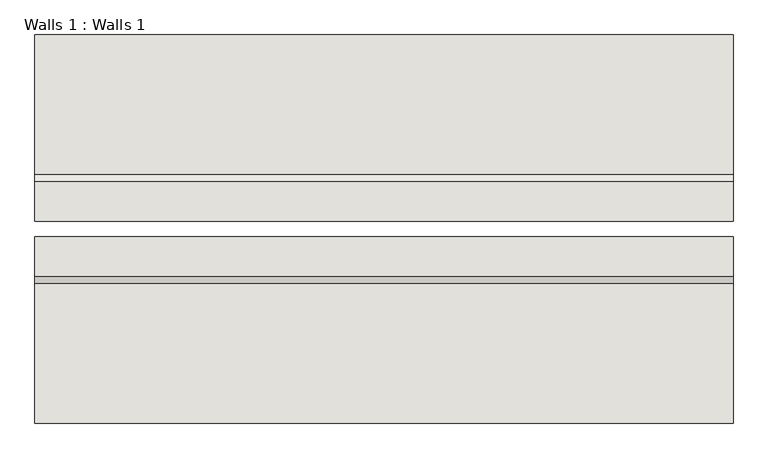
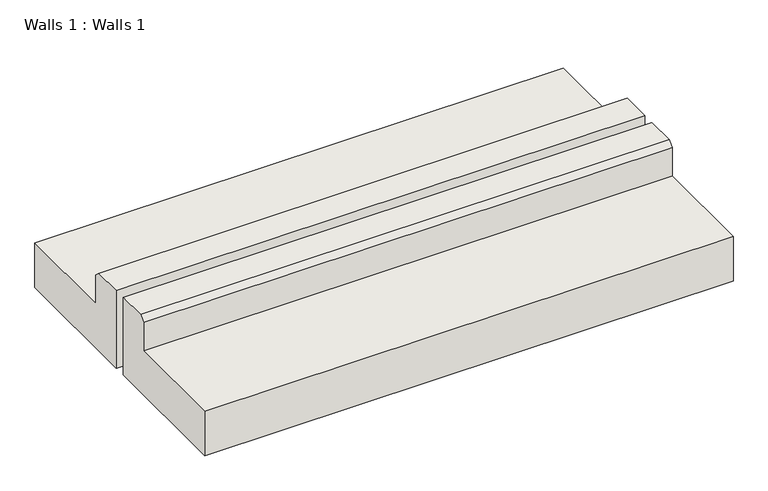
"""IFC4 building model written with IfcOpenShell, lengths in millimetres: wall geometry, Walls 1 : Walls 1."""

import ifcopenshell
import ifcopenshell.guid

model = None  # the IFC model being written
_history = None  # IfcOwnerHistory: only IFC2X3 demands one
_inside = {}  # id of a spatial element -> (the spatial element, [elements in it])
_under = {}  # id of a project, library or spatial element -> (it, [spatial elements below it])
_declared = {}  # id of a project -> (the project, [libraries it declares])
_typed = {}  # id of a type object -> (the type object, [elements of that type])
_made_of = {}  # id of a material, layer set ... -> (it, [elements and type objects made of it])


def new_model(schema):
    """Start an empty IFC model of exactly this schema.

    Asked for "IFC4X3", IfcOpenShell would pick the latest addendum, in which some entities
    have other attributes; the version numbers below select the first issue.
    IFC2X3 requires an IfcOwnerHistory on every rooted entity: one is made here for all.
    """
    global model, _history
    if schema == "IFC4X3":
        model = ifcopenshell.file(schema_version=(4, 3, 0, 0))
    else:
        model = ifcopenshell.file(schema=schema)
    _inside.clear()
    _under.clear()
    _declared.clear()
    _typed.clear()
    _made_of.clear()
    _history = None
    if model.schema == "IFC2X3":
        org = make("IfcOrganization", Name="unknown")
        user = make(
            "IfcPersonAndOrganization",
            ThePerson=make("IfcPerson", FamilyName="unknown"),
            TheOrganization=org,
        )
        app = make(
            "IfcApplication",
            ApplicationDeveloper=org,
            Version="unknown",
            ApplicationFullName="unknown",
            ApplicationIdentifier="unknown",
        )
        _history = make(
            "IfcOwnerHistory",
            OwningUser=user,
            OwningApplication=app,
            ChangeAction="ADDED",
            CreationDate=0,
        )
    return model


def make(cls, **values):
    """One entity of the class cls with the attributes given. An attribute that is None is left unset."""
    return model.create_entity(
        cls, **{name: value for name, value in values.items() if value is not None}
    )


def rooted(cls, **values):
    """An entity with a GlobalId (a new one), such as an element, a storey or a relation."""
    return make(cls, GlobalId=ifcopenshell.guid.new(), OwnerHistory=_history, **values)


def si_unit(unit_type, name, prefix=None):
    """IfcSIUnit, for example si_unit("LENGTHUNIT", "METRE", prefix="MILLI")."""
    return make("IfcSIUnit", UnitType=unit_type, Prefix=prefix, Name=name)


def assignment(units):
    """IfcUnitAssignment: the units of a project."""
    return None if units is None else make("IfcUnitAssignment", Units=units)


def point(xyz):
    """IfcCartesianPoint."""
    return None if xyz is None else make("IfcCartesianPoint", Coordinates=xyz)


def direction(xyz):
    """IfcDirection."""
    return None if xyz is None else make("IfcDirection", DirectionRatios=xyz)


def frame(location, z_axis=None, x_axis=None):
    """IfcAxis2Placement3D, a coordinate frame: its origin and axes. An axis left out is left unset."""
    return make(
        "IfcAxis2Placement3D",
        Location=point(location),
        Axis=direction(z_axis),
        RefDirection=direction(x_axis),
    )


def origin():
    """The frame at (0, 0, 0) with its axes left unset."""
    return frame((0.0, 0.0, 0.0))


def place(relative_to, where):
    """IfcLocalPlacement: puts the frame where relative to a parent placement (None: the world)."""
    return make(
        "IfcLocalPlacement", PlacementRelTo=relative_to, RelativePlacement=where
    )


def context(
    kind, dimensions, precision=None, world=None, true_north=None, identifier=None
):
    """IfcGeometricRepresentationContext, for example the 3D "Model" context."""
    return make(
        "IfcGeometricRepresentationContext",
        ContextIdentifier=identifier,
        ContextType=kind,
        CoordinateSpaceDimension=dimensions,
        Precision=precision,
        WorldCoordinateSystem=world,
        TrueNorth=true_north,
    )


def project(units=None, contexts=None):
    """IfcProject with its units and contexts."""
    return rooted(
        "IfcProject",
        Name="project",
        RepresentationContexts=contexts,
        UnitsInContext=assignment(units),
    )


def spatial(cls, under=None, at=None, **own):
    """A site, building, storey or space (cls), placed at a placement, below another one or the project."""
    s = rooted(cls, ObjectPlacement=at, **own)
    if under is not None:
        _under.setdefault(under.id(), (under, []))[1].append(s)
    return s


def polyline(points):
    """IfcPolyline through the points."""
    return make("IfcPolyline", Points=[point(p) for p in points])


def outline(outer, holes=None, kind="AREA"):
    """IfcArbitraryClosedProfileDef: a profile drawn as a closed curve; with holes, ...WithVoids."""
    if holes is None:
        return make("IfcArbitraryClosedProfileDef", ProfileType=kind, OuterCurve=outer)
    return make(
        "IfcArbitraryProfileDefWithVoids",
        ProfileType=kind,
        OuterCurve=outer,
        InnerCurves=holes,
    )


def extrude(swept, where, along, depth):
    """IfcExtrudedAreaSolid: the profile swept, set in the frame where, extruded along a direction by depth."""
    return make(
        "IfcExtrudedAreaSolid",
        SweptArea=swept,
        Position=where,
        ExtrudedDirection=direction(along),
        Depth=depth,
    )


def shape(context_of_items, identifier, shape_type, items):
    """IfcShapeRepresentation: the items that make up one representation, for example the "Body"."""
    return make(
        "IfcShapeRepresentation",
        ContextOfItems=context_of_items,
        RepresentationIdentifier=identifier,
        RepresentationType=shape_type,
        Items=items,
    )


def source(mapping_origin, context_of_items, identifier, shape_type, items):
    """IfcRepresentationMap: a shape defined once, which mapped items show again and again."""
    return make(
        "IfcRepresentationMap",
        MappingOrigin=mapping_origin,
        MappedRepresentation=shape(context_of_items, identifier, shape_type, items),
    )


def transform(
    local_origin,
    x_axis=None,
    y_axis=None,
    z_axis=None,
    scale=None,
    scale2=None,
    scale3=None,
    uniform=True,
):
    """IfcCartesianTransformationOperator3D, or its non-uniform kind. x_axis, y_axis, z_axis: its Axis1, 2, 3."""
    if uniform:
        return make(
            "IfcCartesianTransformationOperator3D",
            Axis1=direction(x_axis),
            Axis2=direction(y_axis),
            LocalOrigin=point(local_origin),
            Scale=scale,
            Axis3=direction(z_axis),
        )
    return make(
        "IfcCartesianTransformationOperator3DnonUniform",
        Axis1=direction(x_axis),
        Axis2=direction(y_axis),
        LocalOrigin=point(local_origin),
        Scale=scale,
        Axis3=direction(z_axis),
        Scale2=scale2,
        Scale3=scale3,
    )


def mapped(mapping_source, mapping_target):
    """IfcMappedItem: shows the shape of a source again, moved by a transform."""
    return make(
        "IfcMappedItem", MappingSource=mapping_source, MappingTarget=mapping_target
    )


def made_of(thing, what):
    """Note that an element or type object is made of a material, layer set ...; save() writes the relation."""
    if what is not None:
        _made_of.setdefault(what.id(), (what, []))[1].append(thing)
    return thing


def element(
    cls,
    number,
    at=None,
    inside=None,
    cuts=None,
    type_object=None,
    material=None,
    context=None,
    identifier="Body",
    shape_type=None,
    held_by="IfcProductDefinitionShape",
    body=None,
    shapes=None,
    **own,
):
    """One element of the class cls, such as IfcWall. Its Tag is "e" and its number.

    at: its placement. inside: the storey or other place that contains it. cuts: it is an
    opening in that element (IfcRelVoidsElement). A single representation is given by context,
    identifier, shape_type and body (its items); several are given by shapes. held_by: the class
    of the entity that holds the representations. save() writes the other relations.
    """
    e = rooted(cls, Tag="e%d" % number, ObjectPlacement=at, **own)
    if body is not None:
        shapes = [shape(context, identifier, shape_type, body)]
    if shapes is not None:
        e.Representation = make(held_by, Representations=shapes)
    if inside is not None:
        _inside.setdefault(inside.id(), (inside, []))[1].append(e)
    if cuts is not None:
        rooted(
            "IfcRelVoidsElement", RelatingBuildingElement=cuts, RelatedOpeningElement=e
        )
    if type_object is not None:
        _typed.setdefault(type_object.id(), (type_object, []))[1].append(e)
    return made_of(e, material)


def aggregate(whole, parts):
    """IfcRelAggregates: a whole, such as a stair, and the parts it consists of."""
    return rooted("IfcRelAggregates", RelatingObject=whole, RelatedObjects=parts)


def save(model, path):
    """Write the relations noted so far, then the file.

    IfcRelAggregates (storeys below a building ...), IfcRelContainedInSpatialStructure (elements
    in a storey), IfcRelDefinesByType, IfcRelAssociatesMaterial and IfcRelDeclares: one each for
    every whole, place, type object, material and project.
    """
    for whole, parts in _under.values():
        aggregate(whole, parts)
    for where, things in _inside.values():
        rooted(
            "IfcRelContainedInSpatialStructure",
            RelatedElements=things,
            RelatingStructure=where,
        )
    for kind, things in _typed.values():
        rooted("IfcRelDefinesByType", RelatedObjects=things, RelatingType=kind)
    for what, things in _made_of.values():
        rooted("IfcRelAssociatesMaterial", RelatedObjects=things, RelatingMaterial=what)
    for by, libraries in _declared.values():
        rooted("IfcRelDeclares", RelatingContext=by, RelatedDefinitions=libraries)
    model.write(path)


def walls_1_walls_1_a53f604c(model_context):
    return source(origin(), model_context, "Body", "SweptSolid", [
        extrude(outline(polyline([(3316.6836331, -203.2), (2707.0836331, -203.2), (2707.0836331, 152.4), (2837.2586331, 152.4), (2859.4836331, 130.175), (2859.4836331, 0.0), (3316.6836331, 0.0), (3316.6836331, -203.2)])), frame((-951.7491178, 0.0, 0.0), z_axis=(1.0, 0.0, 0.0), x_axis=(0.0, 1.0, 0.0)), (0.0, 0.0, 1.0), 2286.0),
        extrude(outline(polyline([(2045.7875696, -203.2), (2045.7875696, 0.0), (2502.9875696, 0.0), (2502.9875696, 130.175), (2525.2125696, 152.4), (2655.3875696, 152.4), (2655.3875696, -203.2), (2045.7875696, -203.2)])), frame((-951.7491178, 0.0, 0.0), z_axis=(1.0, 0.0, 0.0), x_axis=(0.0, 1.0, 0.0)), (0.0, 0.0, 1.0), 2286.0),
    ])


if __name__ == "__main__":
    model = new_model("IFC4")
    model_context = context("Model", 3, world=origin())
    ifc_project = project(units=[si_unit("LENGTHUNIT", "METRE", prefix="MILLI")], contexts=[model_context])
    site = spatial("IfcSite", under=ifc_project)
    building = spatial("IfcBuilding", under=site)
    placement = place(None, origin())
    walls_1_walls_1_shape = walls_1_walls_1_a53f604c(model_context)
    element("IfcWall", 1, ObjectType="Walls 1 : Walls 1", at=placement, inside=building, context=model_context, shape_type="MappedRepresentation", body=[
        mapped(walls_1_walls_1_shape, transform((0.0, 0.0, 0.0), x_axis=(1.0, 0.0, 0.0), y_axis=(0.0, 1.0, 0.0), z_axis=(0.0, 0.0, 1.0))),
    ])
    save(model, "model.ifc")
